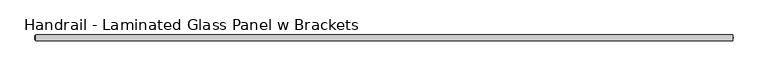
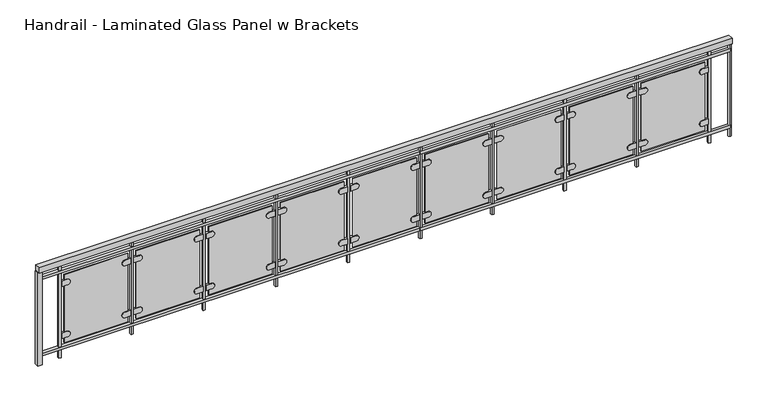
"""IFC4 building model written with IfcOpenShell, lengths in millimetres: railing geometry, Handrail - Laminated Glass Panel w Brackets."""

from ifc_helpers import new_model, si_unit, point, frame, frame_2d, origin, origin_with_axes, place, context, project, spatial, polyline, circle_curve, trimmed, segment, composite_curve, outline, extrude, source, transform, mapped, element, save


def handrail_laminated_glass_panel_w_brackets_ee1d15cf(model_context):
    return source(origin(), model_context, "Body", "SweptSolid", [
        extrude(outline(polyline([(-14208.8752995, 34253.909315), (-14208.8752995, 34304.709315), (-8112.8752995, 34304.709315), (-8112.8752995, 34253.909315), (-14208.8752995, 34253.909315)])), frame((0.0, 0.0, 863.6), z_axis=(0.0, 0.0, 1.0), x_axis=(1.0, 0.0, 0.0)), (0.0, 0.0, 1.0), 50.8),
        extrude(outline(polyline([(-14208.8752995, 34266.609315), (-14208.8752995, 34292.009315), (-8112.8752995, 34292.009315), (-8112.8752995, 34266.609315), (-14208.8752995, 34266.609315)])), frame((0.0, 0.0, 787.4), z_axis=(0.0, 0.0, 1.0), x_axis=(1.0, 0.0, 0.0)), (0.0, 0.0, 1.0), 25.4),
        extrude(outline(polyline([(-14208.8752995, 34266.609315), (-14208.8752995, 34292.009315), (-8112.8752995, 34292.009315), (-8112.8752995, 34266.609315), (-14208.8752995, 34266.609315)])), frame((0.0, 0.0, 76.2), z_axis=(0.0, 0.0, 1.0), x_axis=(1.0, 0.0, 0.0)), (0.0, 0.0, 1.0), 25.4),
        extrude(outline(polyline([(-8312.9002995, 34288.834315), (-8293.8502995, 34288.834315), (-8293.8502995, 34269.784315), (-8312.9002995, 34269.784315), (-8312.9002995, 34288.834315)])), origin_with_axes(), (0.0, 0.0, 1.0), 863.6),
        extrude(outline(composite_curve([segment(trimmed(circle_curve(frame_2d((685.8, -8366.8752995)), 25.4), [point((711.2, -8366.8752995))], [point((660.4, -8366.8752995))], False, "CARTESIAN"), True, "CONTINUOUS"), segment(polyline([(660.4, -8366.8752995), (660.4, -8316.0752995), (711.2, -8316.0752995), (711.2, -8366.8752995)]), True, "CONTINUOUS")], self_intersect=False)), frame((0.0, 34266.609315, 0.0), z_axis=(0.0, 1.0, 0.0), x_axis=(0.0, 0.0, 1.0)), (0.0, 0.0, 1.0), 19.05),
        extrude(outline(composite_curve([segment(polyline([(711.2, -8874.8752995), (711.2, -8925.6752995), (660.4, -8925.6752995), (660.4, -8874.8752995)]), True, "CONTINUOUS"), segment(trimmed(circle_curve(frame_2d((685.8, -8874.8752995)), 25.4), [point((660.4, -8874.8752995))], [point((711.2, -8874.8752995))], False, "CARTESIAN"), True, "CONTINUOUS")], self_intersect=False)), frame((0.0, 34266.609315, 0.0), z_axis=(0.0, 1.0, 0.0), x_axis=(0.0, 0.0, 1.0)), (0.0, 0.0, 1.0), 19.05),
        extrude(outline(composite_curve([segment(trimmed(circle_curve(frame_2d((203.2, -8366.8752995)), 25.4), [point((228.6, -8366.8752995))], [point((177.8, -8366.8752995))], False, "CARTESIAN"), True, "CONTINUOUS"), segment(polyline([(177.8, -8366.8752995), (177.8, -8316.0752995), (228.6, -8316.0752995), (228.6, -8366.8752995)]), True, "CONTINUOUS")], self_intersect=False)), frame((0.0, 34266.609315, 0.0), z_axis=(0.0, 1.0, 0.0), x_axis=(0.0, 0.0, 1.0)), (0.0, 0.0, 1.0), 19.05),
        extrude(outline(composite_curve([segment(polyline([(228.6, -8874.8752995), (228.6, -8925.6752995), (177.8, -8925.6752995), (177.8, -8874.8752995)]), True, "CONTINUOUS"), segment(trimmed(circle_curve(frame_2d((203.2, -8874.8752995)), 25.4), [point((177.8, -8874.8752995))], [point((228.6, -8874.8752995))], False, "CARTESIAN"), True, "CONTINUOUS")], self_intersect=False)), frame((0.0, 34266.609315, 0.0), z_axis=(0.0, 1.0, 0.0), x_axis=(0.0, 0.0, 1.0)), (0.0, 0.0, 1.0), 19.05),
        extrude(outline(polyline([(-8900.2752995, 34272.959315), (-8900.2752995, 34279.309315), (-8341.4752995, 34279.309315), (-8341.4752995, 34272.959315), (-8900.2752995, 34272.959315)])), frame((0.0, 0.0, 127.0), z_axis=(0.0, 0.0, 1.0), x_axis=(1.0, 0.0, 0.0)), (0.0, 0.0, 1.0), 635.0),
        extrude(outline(polyline([(-8947.9002995, 34288.834315), (-8928.8502995, 34288.834315), (-8928.8502995, 34269.784315), (-8947.9002995, 34269.784315), (-8947.9002995, 34288.834315)])), origin_with_axes(), (0.0, 0.0, 1.0), 863.6),
        extrude(outline(composite_curve([segment(trimmed(circle_curve(frame_2d((685.8, -9001.8752995)), 25.4), [point((711.2, -9001.8752995))], [point((660.4, -9001.8752995))], False, "CARTESIAN"), True, "CONTINUOUS"), segment(polyline([(660.4, -9001.8752995), (660.4, -8951.0752995), (711.2, -8951.0752995), (711.2, -9001.8752995)]), True, "CONTINUOUS")], self_intersect=False)), frame((0.0, 34266.609315, 0.0), z_axis=(0.0, 1.0, 0.0), x_axis=(0.0, 0.0, 1.0)), (0.0, 0.0, 1.0), 19.05),
        extrude(outline(composite_curve([segment(polyline([(711.2, -9509.8752995), (711.2, -9560.6752995), (660.4, -9560.6752995), (660.4, -9509.8752995)]), True, "CONTINUOUS"), segment(trimmed(circle_curve(frame_2d((685.8, -9509.8752995)), 25.4), [point((660.4, -9509.8752995))], [point((711.2, -9509.8752995))], False, "CARTESIAN"), True, "CONTINUOUS")], self_intersect=False)), frame((0.0, 34266.609315, 0.0), z_axis=(0.0, 1.0, 0.0), x_axis=(0.0, 0.0, 1.0)), (0.0, 0.0, 1.0), 19.05),
        extrude(outline(composite_curve([segment(trimmed(circle_curve(frame_2d((203.2, -9001.8752995)), 25.4), [point((228.6, -9001.8752995))], [point((177.8, -9001.8752995))], False, "CARTESIAN"), True, "CONTINUOUS"), segment(polyline([(177.8, -9001.8752995), (177.8, -8951.0752995), (228.6, -8951.0752995), (228.6, -9001.8752995)]), True, "CONTINUOUS")], self_intersect=False)), frame((0.0, 34266.609315, 0.0), z_axis=(0.0, 1.0, 0.0), x_axis=(0.0, 0.0, 1.0)), (0.0, 0.0, 1.0), 19.05),
        extrude(outline(composite_curve([segment(polyline([(228.6, -9509.8752995), (228.6, -9560.6752995), (177.8, -9560.6752995), (177.8, -9509.8752995)]), True, "CONTINUOUS"), segment(trimmed(circle_curve(frame_2d((203.2, -9509.8752995)), 25.4), [point((177.8, -9509.8752995))], [point((228.6, -9509.8752995))], False, "CARTESIAN"), True, "CONTINUOUS")], self_intersect=False)), frame((0.0, 34266.609315, 0.0), z_axis=(0.0, 1.0, 0.0), x_axis=(0.0, 0.0, 1.0)), (0.0, 0.0, 1.0), 19.05),
        extrude(outline(polyline([(-9535.2752995, 34272.959315), (-9535.2752995, 34279.309315), (-8976.4752995, 34279.309315), (-8976.4752995, 34272.959315), (-9535.2752995, 34272.959315)])), frame((0.0, 0.0, 127.0), z_axis=(0.0, 0.0, 1.0), x_axis=(1.0, 0.0, 0.0)), (0.0, 0.0, 1.0), 635.0),
        extrude(outline(polyline([(-9582.9002995, 34288.834315), (-9563.8502995, 34288.834315), (-9563.8502995, 34269.784315), (-9582.9002995, 34269.784315), (-9582.9002995, 34288.834315)])), origin_with_axes(), (0.0, 0.0, 1.0), 863.6),
        extrude(outline(composite_curve([segment(trimmed(circle_curve(frame_2d((685.8, -9636.8752995)), 25.4), [point((711.2, -9636.8752995))], [point((660.4, -9636.8752995))], False, "CARTESIAN"), True, "CONTINUOUS"), segment(polyline([(660.4, -9636.8752995), (660.4, -9586.0752995), (711.2, -9586.0752995), (711.2, -9636.8752995)]), True, "CONTINUOUS")], self_intersect=False)), frame((0.0, 34266.609315, 0.0), z_axis=(0.0, 1.0, 0.0), x_axis=(0.0, 0.0, 1.0)), (0.0, 0.0, 1.0), 19.05),
        extrude(outline(composite_curve([segment(polyline([(711.2, -10144.8752995), (711.2, -10195.6752995), (660.4, -10195.6752995), (660.4, -10144.8752995)]), True, "CONTINUOUS"), segment(trimmed(circle_curve(frame_2d((685.8, -10144.8752995)), 25.4), [point((660.4, -10144.8752995))], [point((711.2, -10144.8752995))], False, "CARTESIAN"), True, "CONTINUOUS")], self_intersect=False)), frame((0.0, 34266.609315, 0.0), z_axis=(0.0, 1.0, 0.0), x_axis=(0.0, 0.0, 1.0)), (0.0, 0.0, 1.0), 19.05),
        extrude(outline(composite_curve([segment(trimmed(circle_curve(frame_2d((203.2, -9636.8752995)), 25.4), [point((228.6, -9636.8752995))], [point((177.8, -9636.8752995))], False, "CARTESIAN"), True, "CONTINUOUS"), segment(polyline([(177.8, -9636.8752995), (177.8, -9586.0752995), (228.6, -9586.0752995), (228.6, -9636.8752995)]), True, "CONTINUOUS")], self_intersect=False)), frame((0.0, 34266.609315, 0.0), z_axis=(0.0, 1.0, 0.0), x_axis=(0.0, 0.0, 1.0)), (0.0, 0.0, 1.0), 19.05),
        extrude(outline(composite_curve([segment(polyline([(228.6, -10144.8752995), (228.6, -10195.6752995), (177.8, -10195.6752995), (177.8, -10144.8752995)]), True, "CONTINUOUS"), segment(trimmed(circle_curve(frame_2d((203.2, -10144.8752995)), 25.4), [point((177.8, -10144.8752995))], [point((228.6, -10144.8752995))], False, "CARTESIAN"), True, "CONTINUOUS")], self_intersect=False)), frame((0.0, 34266.609315, 0.0), z_axis=(0.0, 1.0, 0.0), x_axis=(0.0, 0.0, 1.0)), (0.0, 0.0, 1.0), 19.05),
        extrude(outline(polyline([(-10170.2752995, 34272.959315), (-10170.2752995, 34279.309315), (-9611.4752995, 34279.309315), (-9611.4752995, 34272.959315), (-10170.2752995, 34272.959315)])), frame((0.0, 0.0, 127.0), z_axis=(0.0, 0.0, 1.0), x_axis=(1.0, 0.0, 0.0)), (0.0, 0.0, 1.0), 635.0),
        extrude(outline(polyline([(-10217.9002995, 34288.834315), (-10198.8502995, 34288.834315), (-10198.8502995, 34269.784315), (-10217.9002995, 34269.784315), (-10217.9002995, 34288.834315)])), origin_with_axes(), (0.0, 0.0, 1.0), 863.6),
        extrude(outline(composite_curve([segment(trimmed(circle_curve(frame_2d((685.8, -10271.8752995)), 25.4), [point((711.2, -10271.8752995))], [point((660.4, -10271.8752995))], False, "CARTESIAN"), True, "CONTINUOUS"), segment(polyline([(660.4, -10271.8752995), (660.4, -10221.0752995), (711.2, -10221.0752995), (711.2, -10271.8752995)]), True, "CONTINUOUS")], self_intersect=False)), frame((0.0, 34266.609315, 0.0), z_axis=(0.0, 1.0, 0.0), x_axis=(0.0, 0.0, 1.0)), (0.0, 0.0, 1.0), 19.05),
        extrude(outline(composite_curve([segment(polyline([(711.2, -10779.8752995), (711.2, -10830.6752995), (660.4, -10830.6752995), (660.4, -10779.8752995)]), True, "CONTINUOUS"), segment(trimmed(circle_curve(frame_2d((685.8, -10779.8752995)), 25.4), [point((660.4, -10779.8752995))], [point((711.2, -10779.8752995))], False, "CARTESIAN"), True, "CONTINUOUS")], self_intersect=False)), frame((0.0, 34266.609315, 0.0), z_axis=(0.0, 1.0, 0.0), x_axis=(0.0, 0.0, 1.0)), (0.0, 0.0, 1.0), 19.05),
        extrude(outline(composite_curve([segment(trimmed(circle_curve(frame_2d((203.2, -10271.8752995)), 25.4), [point((228.6, -10271.8752995))], [point((177.8, -10271.8752995))], False, "CARTESIAN"), True, "CONTINUOUS"), segment(polyline([(177.8, -10271.8752995), (177.8, -10221.0752995), (228.6, -10221.0752995), (228.6, -10271.8752995)]), True, "CONTINUOUS")], self_intersect=False)), frame((0.0, 34266.609315, 0.0), z_axis=(0.0, 1.0, 0.0), x_axis=(0.0, 0.0, 1.0)), (0.0, 0.0, 1.0), 19.05),
        extrude(outline(composite_curve([segment(polyline([(228.6, -10779.8752995), (228.6, -10830.6752995), (177.8, -10830.6752995), (177.8, -10779.8752995)]), True, "CONTINUOUS"), segment(trimmed(circle_curve(frame_2d((203.2, -10779.8752995)), 25.4), [point((177.8, -10779.8752995))], [point((228.6, -10779.8752995))], False, "CARTESIAN"), True, "CONTINUOUS")], self_intersect=False)), frame((0.0, 34266.609315, 0.0), z_axis=(0.0, 1.0, 0.0), x_axis=(0.0, 0.0, 1.0)), (0.0, 0.0, 1.0), 19.05),
        extrude(outline(polyline([(-10805.2752995, 34272.959315), (-10805.2752995, 34279.309315), (-10246.4752995, 34279.309315), (-10246.4752995, 34272.959315), (-10805.2752995, 34272.959315)])), frame((0.0, 0.0, 127.0), z_axis=(0.0, 0.0, 1.0), x_axis=(1.0, 0.0, 0.0)), (0.0, 0.0, 1.0), 635.0),
        extrude(outline(polyline([(-10852.9002995, 34288.834315), (-10833.8502995, 34288.834315), (-10833.8502995, 34269.784315), (-10852.9002995, 34269.784315), (-10852.9002995, 34288.834315)])), origin_with_axes(), (0.0, 0.0, 1.0), 863.6),
        extrude(outline(composite_curve([segment(trimmed(circle_curve(frame_2d((685.8, -10906.8752995)), 25.4), [point((711.2, -10906.8752995))], [point((660.4, -10906.8752995))], False, "CARTESIAN"), True, "CONTINUOUS"), segment(polyline([(660.4, -10906.8752995), (660.4, -10856.0752995), (711.2, -10856.0752995), (711.2, -10906.8752995)]), True, "CONTINUOUS")], self_intersect=False)), frame((0.0, 34266.609315, 0.0), z_axis=(0.0, 1.0, 0.0), x_axis=(0.0, 0.0, 1.0)), (0.0, 0.0, 1.0), 19.05),
        extrude(outline(composite_curve([segment(polyline([(711.2, -11414.8752995), (711.2, -11465.6752995), (660.4, -11465.6752995), (660.4, -11414.8752995)]), True, "CONTINUOUS"), segment(trimmed(circle_curve(frame_2d((685.8, -11414.8752995)), 25.4), [point((660.4, -11414.8752995))], [point((711.2, -11414.8752995))], False, "CARTESIAN"), True, "CONTINUOUS")], self_intersect=False)), frame((0.0, 34266.609315, 0.0), z_axis=(0.0, 1.0, 0.0), x_axis=(0.0, 0.0, 1.0)), (0.0, 0.0, 1.0), 19.05),
        extrude(outline(composite_curve([segment(trimmed(circle_curve(frame_2d((203.2, -10906.8752995)), 25.4), [point((228.6, -10906.8752995))], [point((177.8, -10906.8752995))], False, "CARTESIAN"), True, "CONTINUOUS"), segment(polyline([(177.8, -10906.8752995), (177.8, -10856.0752995), (228.6, -10856.0752995), (228.6, -10906.8752995)]), True, "CONTINUOUS")], self_intersect=False)), frame((0.0, 34266.609315, 0.0), z_axis=(0.0, 1.0, 0.0), x_axis=(0.0, 0.0, 1.0)), (0.0, 0.0, 1.0), 19.05),
        extrude(outline(composite_curve([segment(polyline([(228.6, -11414.8752995), (228.6, -11465.6752995), (177.8, -11465.6752995), (177.8, -11414.8752995)]), True, "CONTINUOUS"), segment(trimmed(circle_curve(frame_2d((203.2, -11414.8752995)), 25.4), [point((177.8, -11414.8752995))], [point((228.6, -11414.8752995))], False, "CARTESIAN"), True, "CONTINUOUS")], self_intersect=False)), frame((0.0, 34266.609315, 0.0), z_axis=(0.0, 1.0, 0.0), x_axis=(0.0, 0.0, 1.0)), (0.0, 0.0, 1.0), 19.05),
        extrude(outline(polyline([(-11440.2752995, 34272.959315), (-11440.2752995, 34279.309315), (-10881.4752995, 34279.309315), (-10881.4752995, 34272.959315), (-11440.2752995, 34272.959315)])), frame((0.0, 0.0, 127.0), z_axis=(0.0, 0.0, 1.0), x_axis=(1.0, 0.0, 0.0)), (0.0, 0.0, 1.0), 635.0),
        extrude(outline(polyline([(-11487.9002995, 34288.834315), (-11468.8502995, 34288.834315), (-11468.8502995, 34269.784315), (-11487.9002995, 34269.784315), (-11487.9002995, 34288.834315)])), origin_with_axes(), (0.0, 0.0, 1.0), 863.6),
        extrude(outline(composite_curve([segment(trimmed(circle_curve(frame_2d((685.8, -11541.8752995)), 25.4), [point((711.2, -11541.8752995))], [point((660.4, -11541.8752995))], False, "CARTESIAN"), True, "CONTINUOUS"), segment(polyline([(660.4, -11541.8752995), (660.4, -11491.0752995), (711.2, -11491.0752995), (711.2, -11541.8752995)]), True, "CONTINUOUS")], self_intersect=False)), frame((0.0, 34266.609315, 0.0), z_axis=(0.0, 1.0, 0.0), x_axis=(0.0, 0.0, 1.0)), (0.0, 0.0, 1.0), 19.05),
        extrude(outline(composite_curve([segment(polyline([(711.2, -12049.8752995), (711.2, -12100.6752995), (660.4, -12100.6752995), (660.4, -12049.8752995)]), True, "CONTINUOUS"), segment(trimmed(circle_curve(frame_2d((685.8, -12049.8752995)), 25.4), [point((660.4, -12049.8752995))], [point((711.2, -12049.8752995))], False, "CARTESIAN"), True, "CONTINUOUS")], self_intersect=False)), frame((0.0, 34266.609315, 0.0), z_axis=(0.0, 1.0, 0.0), x_axis=(0.0, 0.0, 1.0)), (0.0, 0.0, 1.0), 19.05),
        extrude(outline(composite_curve([segment(trimmed(circle_curve(frame_2d((203.2, -11541.8752995)), 25.4), [point((228.6, -11541.8752995))], [point((177.8, -11541.8752995))], False, "CARTESIAN"), True, "CONTINUOUS"), segment(polyline([(177.8, -11541.8752995), (177.8, -11491.0752995), (228.6, -11491.0752995), (228.6, -11541.8752995)]), True, "CONTINUOUS")], self_intersect=False)), frame((0.0, 34266.609315, 0.0), z_axis=(0.0, 1.0, 0.0), x_axis=(0.0, 0.0, 1.0)), (0.0, 0.0, 1.0), 19.05),
        extrude(outline(composite_curve([segment(polyline([(228.6, -12049.8752995), (228.6, -12100.6752995), (177.8, -12100.6752995), (177.8, -12049.8752995)]), True, "CONTINUOUS"), segment(trimmed(circle_curve(frame_2d((203.2, -12049.8752995)), 25.4), [point((177.8, -12049.8752995))], [point((228.6, -12049.8752995))], False, "CARTESIAN"), True, "CONTINUOUS")], self_intersect=False)), frame((0.0, 34266.609315, 0.0), z_axis=(0.0, 1.0, 0.0), x_axis=(0.0, 0.0, 1.0)), (0.0, 0.0, 1.0), 19.05),
        extrude(outline(polyline([(-12075.2752995, 34272.959315), (-12075.2752995, 34279.309315), (-11516.4752995, 34279.309315), (-11516.4752995, 34272.959315), (-12075.2752995, 34272.959315)])), frame((0.0, 0.0, 127.0), z_axis=(0.0, 0.0, 1.0), x_axis=(1.0, 0.0, 0.0)), (0.0, 0.0, 1.0), 635.0),
        extrude(outline(polyline([(-12122.9002995, 34288.834315), (-12103.8502995, 34288.834315), (-12103.8502995, 34269.784315), (-12122.9002995, 34269.784315), (-12122.9002995, 34288.834315)])), origin_with_axes(), (0.0, 0.0, 1.0), 863.6),
        extrude(outline(composite_curve([segment(trimmed(circle_curve(frame_2d((685.8, -12176.8752995)), 25.4), [point((711.2, -12176.8752995))], [point((660.4, -12176.8752995))], False, "CARTESIAN"), True, "CONTINUOUS"), segment(polyline([(660.4, -12176.8752995), (660.4, -12126.0752995), (711.2, -12126.0752995), (711.2, -12176.8752995)]), True, "CONTINUOUS")], self_intersect=False)), frame((0.0, 34266.609315, 0.0), z_axis=(0.0, 1.0, 0.0), x_axis=(0.0, 0.0, 1.0)), (0.0, 0.0, 1.0), 19.05),
        extrude(outline(composite_curve([segment(polyline([(711.2, -12684.8752995), (711.2, -12735.6752995), (660.4, -12735.6752995), (660.4, -12684.8752995)]), True, "CONTINUOUS"), segment(trimmed(circle_curve(frame_2d((685.8, -12684.8752995)), 25.4), [point((660.4, -12684.8752995))], [point((711.2, -12684.8752995))], False, "CARTESIAN"), True, "CONTINUOUS")], self_intersect=False)), frame((0.0, 34266.609315, 0.0), z_axis=(0.0, 1.0, 0.0), x_axis=(0.0, 0.0, 1.0)), (0.0, 0.0, 1.0), 19.05),
        extrude(outline(composite_curve([segment(trimmed(circle_curve(frame_2d((203.2, -12176.8752995)), 25.4), [point((228.6, -12176.8752995))], [point((177.8, -12176.8752995))], False, "CARTESIAN"), True, "CONTINUOUS"), segment(polyline([(177.8, -12176.8752995), (177.8, -12126.0752995), (228.6, -12126.0752995), (228.6, -12176.8752995)]), True, "CONTINUOUS")], self_intersect=False)), frame((0.0, 34266.609315, 0.0), z_axis=(0.0, 1.0, 0.0), x_axis=(0.0, 0.0, 1.0)), (0.0, 0.0, 1.0), 19.05),
        extrude(outline(composite_curve([segment(polyline([(228.6, -12684.8752995), (228.6, -12735.6752995), (177.8, -12735.6752995), (177.8, -12684.8752995)]), True, "CONTINUOUS"), segment(trimmed(circle_curve(frame_2d((203.2, -12684.8752995)), 25.4), [point((177.8, -12684.8752995))], [point((228.6, -12684.8752995))], False, "CARTESIAN"), True, "CONTINUOUS")], self_intersect=False)), frame((0.0, 34266.609315, 0.0), z_axis=(0.0, 1.0, 0.0), x_axis=(0.0, 0.0, 1.0)), (0.0, 0.0, 1.0), 19.05),
        extrude(outline(polyline([(-12710.2752995, 34272.959315), (-12710.2752995, 34279.309315), (-12151.4752995, 34279.309315), (-12151.4752995, 34272.959315), (-12710.2752995, 34272.959315)])), frame((0.0, 0.0, 127.0), z_axis=(0.0, 0.0, 1.0), x_axis=(1.0, 0.0, 0.0)), (0.0, 0.0, 1.0), 635.0),
        extrude(outline(polyline([(-12757.9002995, 34288.834315), (-12738.8502995, 34288.834315), (-12738.8502995, 34269.784315), (-12757.9002995, 34269.784315), (-12757.9002995, 34288.834315)])), origin_with_axes(), (0.0, 0.0, 1.0), 863.6),
        extrude(outline(composite_curve([segment(trimmed(circle_curve(frame_2d((685.8, -12811.8752995)), 25.4), [point((711.2, -12811.8752995))], [point((660.4, -12811.8752995))], False, "CARTESIAN"), True, "CONTINUOUS"), segment(polyline([(660.4, -12811.8752995), (660.4, -12761.0752995), (711.2, -12761.0752995), (711.2, -12811.8752995)]), True, "CONTINUOUS")], self_intersect=False)), frame((0.0, 34266.609315, 0.0), z_axis=(0.0, 1.0, 0.0), x_axis=(0.0, 0.0, 1.0)), (0.0, 0.0, 1.0), 19.05),
        extrude(outline(composite_curve([segment(polyline([(711.2, -13319.8752995), (711.2, -13370.6752995), (660.4, -13370.6752995), (660.4, -13319.8752995)]), True, "CONTINUOUS"), segment(trimmed(circle_curve(frame_2d((685.8, -13319.8752995)), 25.4), [point((660.4, -13319.8752995))], [point((711.2, -13319.8752995))], False, "CARTESIAN"), True, "CONTINUOUS")], self_intersect=False)), frame((0.0, 34266.609315, 0.0), z_axis=(0.0, 1.0, 0.0), x_axis=(0.0, 0.0, 1.0)), (0.0, 0.0, 1.0), 19.05),
        extrude(outline(composite_curve([segment(trimmed(circle_curve(frame_2d((203.2, -12811.8752995)), 25.4), [point((228.6, -12811.8752995))], [point((177.8, -12811.8752995))], False, "CARTESIAN"), True, "CONTINUOUS"), segment(polyline([(177.8, -12811.8752995), (177.8, -12761.0752995), (228.6, -12761.0752995), (228.6, -12811.8752995)]), True, "CONTINUOUS")], self_intersect=False)), frame((0.0, 34266.609315, 0.0), z_axis=(0.0, 1.0, 0.0), x_axis=(0.0, 0.0, 1.0)), (0.0, 0.0, 1.0), 19.05),
        extrude(outline(composite_curve([segment(polyline([(228.6, -13319.8752995), (228.6, -13370.6752995), (177.8, -13370.6752995), (177.8, -13319.8752995)]), True, "CONTINUOUS"), segment(trimmed(circle_curve(frame_2d((203.2, -13319.8752995)), 25.4), [point((177.8, -13319.8752995))], [point((228.6, -13319.8752995))], False, "CARTESIAN"), True, "CONTINUOUS")], self_intersect=False)), frame((0.0, 34266.609315, 0.0), z_axis=(0.0, 1.0, 0.0), x_axis=(0.0, 0.0, 1.0)), (0.0, 0.0, 1.0), 19.05),
        extrude(outline(polyline([(-13345.2752995, 34272.959315), (-13345.2752995, 34279.309315), (-12786.4752995, 34279.309315), (-12786.4752995, 34272.959315), (-13345.2752995, 34272.959315)])), frame((0.0, 0.0, 127.0), z_axis=(0.0, 0.0, 1.0), x_axis=(1.0, 0.0, 0.0)), (0.0, 0.0, 1.0), 635.0),
        extrude(outline(polyline([(-13392.9002995, 34288.834315), (-13373.8502995, 34288.834315), (-13373.8502995, 34269.784315), (-13392.9002995, 34269.784315), (-13392.9002995, 34288.834315)])), origin_with_axes(), (0.0, 0.0, 1.0), 863.6),
        extrude(outline(composite_curve([segment(trimmed(circle_curve(frame_2d((685.8, -13446.8752995)), 25.4), [point((711.2, -13446.8752995))], [point((660.4, -13446.8752995))], False, "CARTESIAN"), True, "CONTINUOUS"), segment(polyline([(660.4, -13446.8752995), (660.4, -13396.0752995), (711.2, -13396.0752995), (711.2, -13446.8752995)]), True, "CONTINUOUS")], self_intersect=False)), frame((0.0, 34266.609315, 0.0), z_axis=(0.0, 1.0, 0.0), x_axis=(0.0, 0.0, 1.0)), (0.0, 0.0, 1.0), 19.05),
        extrude(outline(composite_curve([segment(polyline([(711.2, -13954.8752995), (711.2, -14005.6752995), (660.4, -14005.6752995), (660.4, -13954.8752995)]), True, "CONTINUOUS"), segment(trimmed(circle_curve(frame_2d((685.8, -13954.8752995)), 25.4), [point((660.4, -13954.8752995))], [point((711.2, -13954.8752995))], False, "CARTESIAN"), True, "CONTINUOUS")], self_intersect=False)), frame((0.0, 34266.609315, 0.0), z_axis=(0.0, 1.0, 0.0), x_axis=(0.0, 0.0, 1.0)), (0.0, 0.0, 1.0), 19.05),
        extrude(outline(composite_curve([segment(trimmed(circle_curve(frame_2d((203.2, -13446.8752995)), 25.4), [point((228.6, -13446.8752995))], [point((177.8, -13446.8752995))], False, "CARTESIAN"), True, "CONTINUOUS"), segment(polyline([(177.8, -13446.8752995), (177.8, -13396.0752995), (228.6, -13396.0752995), (228.6, -13446.8752995)]), True, "CONTINUOUS")], self_intersect=False)), frame((0.0, 34266.609315, 0.0), z_axis=(0.0, 1.0, 0.0), x_axis=(0.0, 0.0, 1.0)), (0.0, 0.0, 1.0), 19.05),
        extrude(outline(composite_curve([segment(polyline([(228.6, -13954.8752995), (228.6, -14005.6752995), (177.8, -14005.6752995), (177.8, -13954.8752995)]), True, "CONTINUOUS"), segment(trimmed(circle_curve(frame_2d((203.2, -13954.8752995)), 25.4), [point((177.8, -13954.8752995))], [point((228.6, -13954.8752995))], False, "CARTESIAN"), True, "CONTINUOUS")], self_intersect=False)), frame((0.0, 34266.609315, 0.0), z_axis=(0.0, 1.0, 0.0), x_axis=(0.0, 0.0, 1.0)), (0.0, 0.0, 1.0), 19.05),
        extrude(outline(polyline([(-13980.2752995, 34272.959315), (-13980.2752995, 34279.309315), (-13421.4752995, 34279.309315), (-13421.4752995, 34272.959315), (-13980.2752995, 34272.959315)])), frame((0.0, 0.0, 127.0), z_axis=(0.0, 0.0, 1.0), x_axis=(1.0, 0.0, 0.0)), (0.0, 0.0, 1.0), 635.0),
        extrude(outline(polyline([(-14027.9002995, 34288.834315), (-14008.8502995, 34288.834315), (-14008.8502995, 34269.784315), (-14027.9002995, 34269.784315), (-14027.9002995, 34288.834315)])), origin_with_axes(), (0.0, 0.0, 1.0), 863.6),
        extrude(outline(composite_curve([segment(trimmed(circle_curve(frame_2d((-8122.4002995, 34279.309315)), 12.7), [point((-8122.4002995, 34266.609315))], [point((-8122.4002995, 34292.009315))], False, "CARTESIAN"), True, "CONTINUOUS"), segment(trimmed(circle_curve(frame_2d((-8122.4002995, 34279.309315)), 12.7), [point((-8122.4002995, 34292.009315))], [point((-8122.4002995, 34266.609315))], False, "CARTESIAN"), True, "CONTINUOUS")], self_intersect=False)), origin_with_axes(), (0.0, 0.0, 1.0), 863.6),
        extrude(outline(polyline([(-14218.4002995, 34298.359315), (-14180.3002995, 34298.359315), (-14180.3002995, 34260.259315), (-14218.4002995, 34260.259315), (-14218.4002995, 34298.359315)])), origin_with_axes(), (0.0, 0.0, 1.0), 863.6),
    ])


if __name__ == "__main__":
    model = new_model("IFC4")
    model_context = context("Model", 3, world=origin())
    ifc_project = project(units=[si_unit("LENGTHUNIT", "METRE", prefix="MILLI")], contexts=[model_context])
    site = spatial("IfcSite", under=ifc_project)
    building = spatial("IfcBuilding", under=site)
    placement = place(None, origin())
    handrail_laminated_glass_panel_w_brackets_shape = handrail_laminated_glass_panel_w_brackets_ee1d15cf(model_context)
    element("IfcRailing", 1, ObjectType="Handrail - Laminated Glass Panel w Brackets", at=placement, inside=building, context=model_context, shape_type="MappedRepresentation", body=[
        mapped(handrail_laminated_glass_panel_w_brackets_shape, transform((0.0, 0.0, 0.0), x_axis=(1.0, 0.0, 0.0), y_axis=(0.0, 1.0, 0.0), z_axis=(0.0, 0.0, 1.0))),
    ])
    save(model, "model.ifc")
